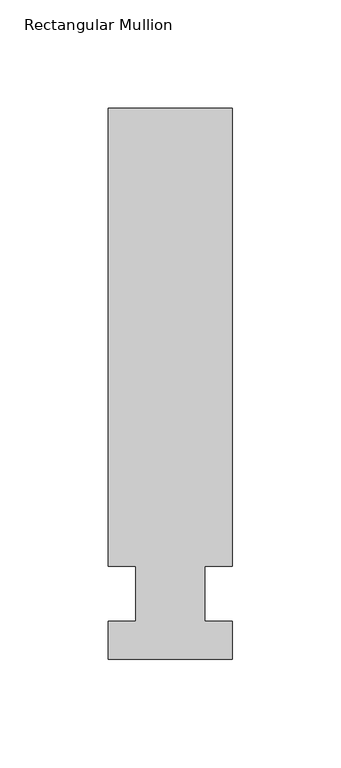
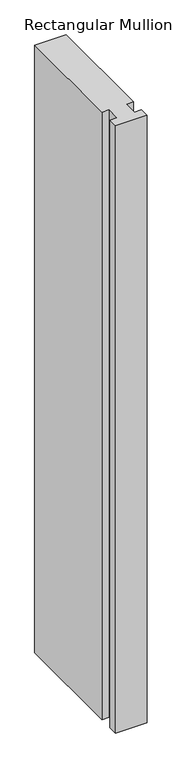
"""IFC4 building model written with IfcOpenShell, lengths in millimetres: member geometry, Rectangular Mullion."""

from ifc_helpers import new_model, si_unit, frame, origin, place, context, project, spatial, polyline, outline, extrude, source, transform, mapped, element, save


def rectangular_mullion_9b2e6585(model_context):
    return source(origin(), model_context, "Body", "SweptSolid", [
        extrude(outline(polyline([(28.575, 223.8375), (28.575, 12.7), (15.8732296, 12.7), (15.8732296, -12.7), (28.575, -12.7), (28.575, -30.1625), (-28.575, -30.1625), (-28.575, -12.7), (-15.875, -12.7), (-15.875, 12.7), (-28.575, 12.7), (-28.575, 223.8375), (28.575, 223.8375)])), frame((0.0, 0.0, -1162.05), z_axis=(0.0, 0.0, 1.0), x_axis=(1.0, 0.0, 0.0)), (0.0, 0.0, 1.0), 1162.05),
    ])


if __name__ == "__main__":
    model = new_model("IFC4")
    model_context = context("Model", 3, world=origin())
    ifc_project = project(units=[si_unit("LENGTHUNIT", "METRE", prefix="MILLI")], contexts=[model_context])
    site = spatial("IfcSite", under=ifc_project)
    building = spatial("IfcBuilding", under=site)
    placement = place(None, origin())
    rectangular_mullion_shape = rectangular_mullion_9b2e6585(model_context)
    element("IfcMember", 1, ObjectType="Rectangular Mullion", at=placement, inside=building, context=model_context, shape_type="MappedRepresentation", body=[
        mapped(rectangular_mullion_shape, transform((0.0, 0.0, 0.0), x_axis=(1.0, 0.0, 0.0), y_axis=(0.0, 1.0, 0.0), z_axis=(0.0, 0.0, 1.0))),
    ])
    save(model, "model.ifc")
